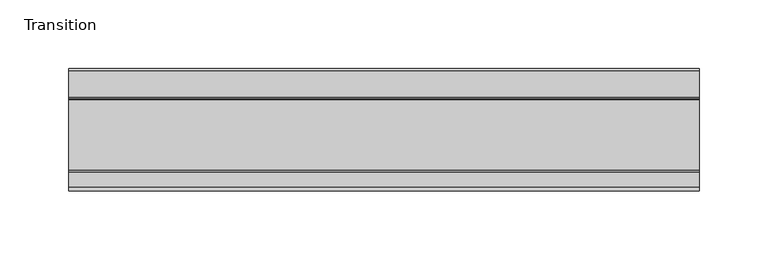
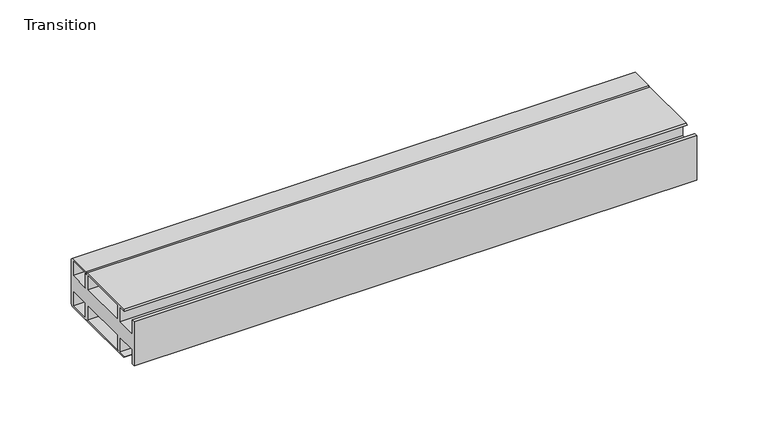
"""IFC4 building model written with IfcOpenShell, lengths in millimetres: furniture geometry, Transition."""

from ifc_helpers import new_model, si_unit, frame, origin, place, context, project, spatial, polyline, outline, extrude, source, transform, mapped, element, save


def transition_061c3449(model_context):
    return source(origin(), model_context, "Body", "SweptSolid", [
        extrude(outline(polyline([(-26.1481963, 6.6000002), (-8.7481957, 6.6000002), (-8.7481957, 19.05), (-5.4481956, 19.05), (-5.4481956, 6.6000002), (36.4518057, 6.6000002), (36.4518057, 19.05), (39.7518058, 19.05), (39.7518058, 6.6000002), (57.1518064, 6.6000002), (57.1518064, 19.4924102), (-15.1141535, 19.4924102), (-13.9690637, 20.6375), (37.2171998, 20.6375), (38.1255324, 19.7291674), (39.033865, 20.6375), (58.0797005, 20.6375), (59.951805, 19.05), (59.951805, -19.05), (58.0797005, -20.6375), (39.033865, -20.6375), (38.1255324, -19.7291674), (37.2171998, -20.6375), (-13.9690637, -20.6375), (-15.1141535, -19.4924102), (57.1518064, -19.4924102), (57.1518064, -6.6000002), (39.7518058, -6.6000002), (39.7518058, -19.05), (36.4518057, -19.05), (36.4518057, -6.6000002), (-5.4481956, -6.6000002), (-5.4481956, -19.05), (-8.7481957, -19.05), (-8.7481957, -6.6000002), (-26.1481963, -6.6000002), (-26.1481963, -19.05), (-28.948195, -19.05), (-28.948195, 19.05), (-26.1481963, 19.05), (-26.1481963, 6.6000002)])), frame((-198.6228469, 0.0, 0.0), z_axis=(1.0, 0.0, 0.0), x_axis=(0.0, 1.0, 0.0)), (0.0, 0.0, 1.0), 457.2),
    ])


if __name__ == "__main__":
    model = new_model("IFC4")
    model_context = context("Model", 3, world=origin())
    ifc_project = project(units=[si_unit("LENGTHUNIT", "METRE", prefix="MILLI")], contexts=[model_context])
    site = spatial("IfcSite", under=ifc_project)
    building = spatial("IfcBuilding", under=site)
    placement = place(None, origin())
    transition_shape = transition_061c3449(model_context)
    element("IfcFurniture", 1, ObjectType="Transition", at=placement, inside=building, context=model_context, shape_type="MappedRepresentation", body=[
        mapped(transition_shape, transform((0.0, 0.0, 0.0), x_axis=(1.0, 0.0, 0.0), y_axis=(0.0, 1.0, 0.0), z_axis=(0.0, 0.0, 1.0))),
    ])
    save(model, "model.ifc")
